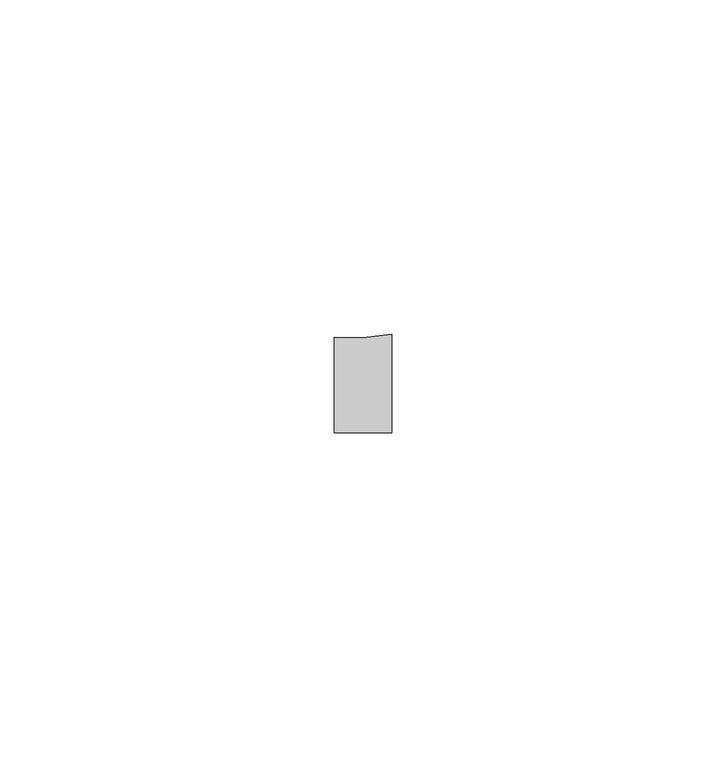
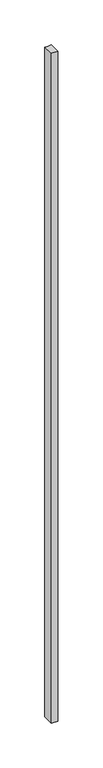
"""IFC4 building model written with IfcOpenShell, lengths in millimetres: proxy geometry."""

from ifc_helpers import new_model, si_unit, point, frame, frame_2d, origin, place, context, project, spatial, polyline, circle_curve, trimmed, segment, composite_curve, outline, extrude, source, transform, mapped, element, save


def generic_models_3682022d(model_context):
    return source(origin(), model_context, "Body", "SweptSolid", [
        extrude(outline(composite_curve([segment(polyline([(37221.1214168, -23734.3186125), (37221.1214168, -23720.0443205)]), True, "CONTINUOUS"), segment(trimmed(circle_curve(frame_2d((37223.5308891, -23684.7563211)), 35.3701634), [point((37221.1214168, -23720.0443205))], [point((37229.7035688, -23719.5837024))], True, "CARTESIAN"), True, "CONTINUOUS"), segment(polyline([(37229.7035688, -23719.5837024), (37229.7035688, -23734.3186125), (37221.1214168, -23734.3186125)]), True, "CONTINUOUS")], self_intersect=False)), frame((0.0, 0.0, 1524.0), z_axis=(0.0, 0.0, 1.0), x_axis=(1.0, 0.0, 0.0)), (0.0, 0.0, 1.0), 914.4),
    ])


if __name__ == "__main__":
    model = new_model("IFC4")
    model_context = context("Model", 3, world=origin())
    ifc_project = project(units=[si_unit("LENGTHUNIT", "METRE", prefix="MILLI")], contexts=[model_context])
    site = spatial("IfcSite", under=ifc_project)
    building = spatial("IfcBuilding", under=site)
    placement = place(None, origin())
    generic_models_shape = generic_models_3682022d(model_context)
    element("IfcBuildingElementProxy", 1, Name="Generic Models", at=placement, inside=building, context=model_context, shape_type="MappedRepresentation", body=[
        mapped(generic_models_shape, transform((0.0, 0.0, 0.0), x_axis=(1.0, 0.0, 0.0), y_axis=(0.0, 1.0, 0.0), z_axis=(0.0, 0.0, 1.0))),
    ])
    save(model, "model.ifc")
